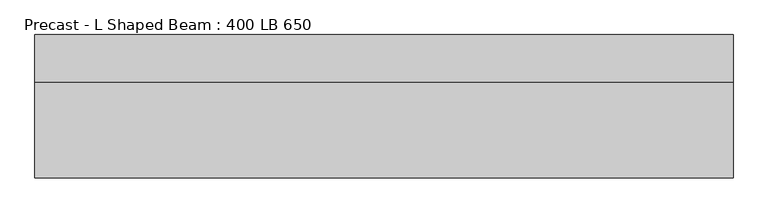
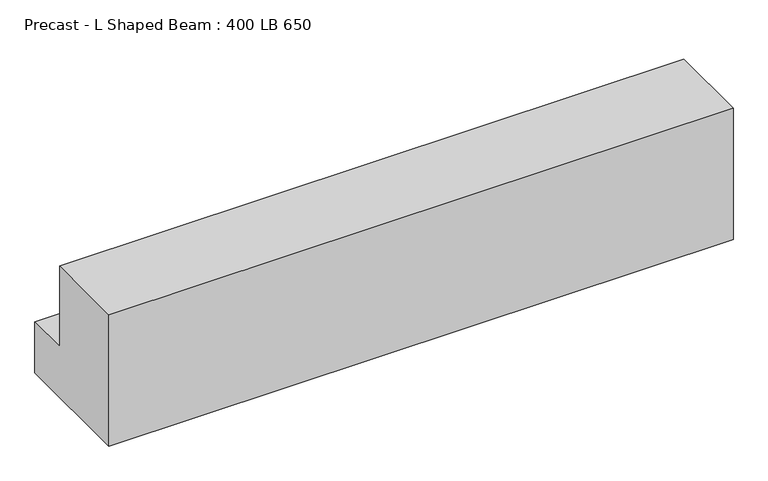
"""IFC4 building model written with IfcOpenShell, lengths in millimetres: beam geometry, Precast - L Shaped Beam : 400 LB 650."""

from ifc_helpers import new_model, si_unit, frame, origin, place, context, project, spatial, polyline, outline, extrude, source, transform, mapped, element, save


def precast_l_shaped_beam_400_lb_650_c03dcaaf(model_context):
    return source(origin(), model_context, "Body", "SweptSolid", [
        extrude(outline(polyline([(-300.0, -325.0), (-300.0, 325.0), (100.0, 325.0), (100.0, -75.0), (300.0, -75.0), (300.0, -325.0), (-300.0, -325.0)])), frame((-1460.0, 0.0, 0.0), z_axis=(1.0, 0.0, 0.0), x_axis=(0.0, 1.0, 0.0)), (0.0, 0.0, 1.0), 2920.0),
    ])


if __name__ == "__main__":
    model = new_model("IFC4")
    model_context = context("Model", 3, world=origin())
    ifc_project = project(units=[si_unit("LENGTHUNIT", "METRE", prefix="MILLI")], contexts=[model_context])
    site = spatial("IfcSite", under=ifc_project)
    building = spatial("IfcBuilding", under=site)
    placement = place(None, origin())
    precast_l_shaped_beam_400_lb_650_shape = precast_l_shaped_beam_400_lb_650_c03dcaaf(model_context)
    element("IfcBeam", 1, ObjectType="Precast - L Shaped Beam : 400 LB 650", at=placement, inside=building, context=model_context, shape_type="MappedRepresentation", body=[
        mapped(precast_l_shaped_beam_400_lb_650_shape, transform((0.0, 0.0, 0.0), x_axis=(1.0, 0.0, 0.0), y_axis=(0.0, 1.0, 0.0), z_axis=(0.0, 0.0, 1.0))),
    ])
    save(model, "model.ifc")
